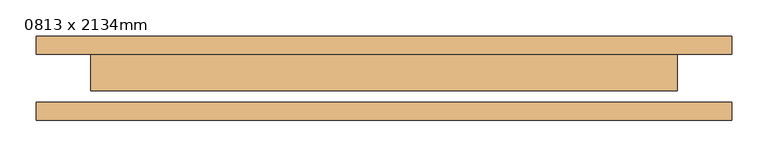
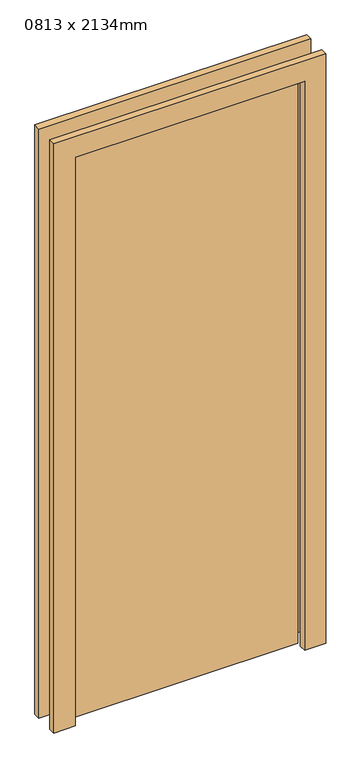
"""IFC4 building model written with IfcOpenShell, lengths in millimetres: door geometry, 0813 x 2134mm."""

from ifc_helpers import new_model, si_unit, frame, origin, origin_with_axes, place, context, project, spatial, polyline, outline, extrude, source, transform, mapped, element, save


def door_0813_x_2134mm_fddcb6ac(model_context):
    return source(origin(), model_context, "Body", "SweptSolid", [
        extrude(outline(polyline([(2210.0, -482.5), (0.0, -482.5), (0.0, -406.5), (2134.0, -406.5), (2134.0, 406.5), (0.0, 406.5), (0.0, 482.5), (2210.0, 482.5), (2210.0, -482.5)])), frame((0.0, 33.5, 0.0), z_axis=(0.0, 1.0, 0.0), x_axis=(0.0, 0.0, 1.0)), (0.0, 0.0, 1.0), 25.0),
        extrude(outline(polyline([(2210.0, 482.5), (2210.0, -482.5), (0.0, -482.5), (0.0, -406.5), (2134.0, -406.5), (2134.0, 406.5), (0.0, 406.5), (0.0, 482.5), (2210.0, 482.5)])), frame((0.0, -58.5, 0.0), z_axis=(0.0, 1.0, 0.0), x_axis=(0.0, 0.0, 1.0)), (0.0, 0.0, 1.0), 25.0),
        extrude(outline(polyline([(406.5, -17.5), (-406.5, -17.5), (-406.5, 33.5), (406.5, 33.5), (406.5, -17.5)])), origin_with_axes(), (0.0, 0.0, 1.0), 2134.0),
    ])


if __name__ == "__main__":
    model = new_model("IFC4")
    model_context = context("Model", 3, world=origin())
    ifc_project = project(units=[si_unit("LENGTHUNIT", "METRE", prefix="MILLI")], contexts=[model_context])
    site = spatial("IfcSite", under=ifc_project)
    building = spatial("IfcBuilding", under=site)
    placement = place(None, origin())
    door_0813_x_2134mm_shape = door_0813_x_2134mm_fddcb6ac(model_context)
    element("IfcDoor", 1, ObjectType="0813 x 2134mm", at=placement, inside=building, context=model_context, shape_type="MappedRepresentation", body=[
        mapped(door_0813_x_2134mm_shape, transform((0.0, 0.0, 0.0), x_axis=(1.0, 0.0, 0.0), y_axis=(0.0, 1.0, 0.0), z_axis=(0.0, 0.0, 1.0))),
    ])
    save(model, "model.ifc")
